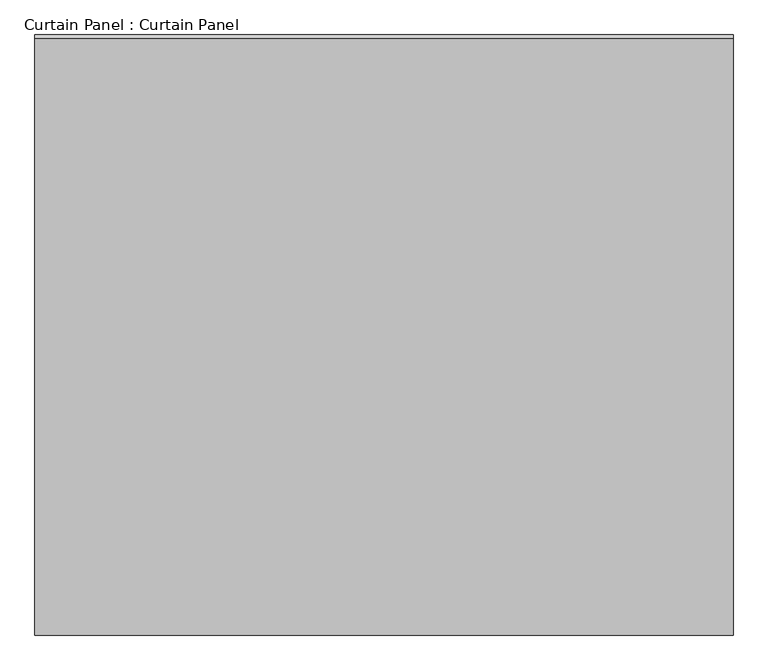
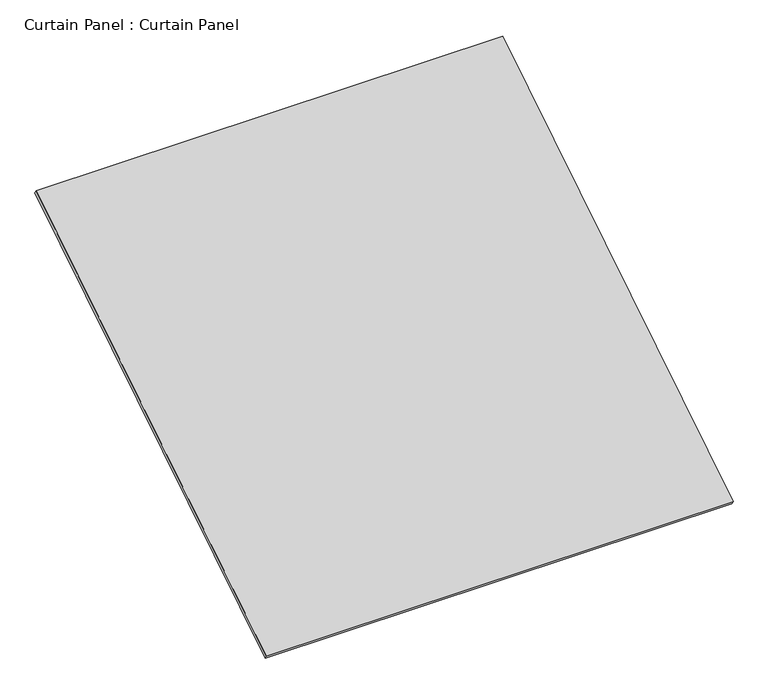
"""IFC4 building model written with IfcOpenShell, lengths in millimetres: plate geometry, Curtain Panel : Curtain Panel."""

import ifcopenshell
import ifcopenshell.guid

model = None  # the IFC model being written
_history = None  # IfcOwnerHistory: only IFC2X3 demands one
_inside = {}  # id of a spatial element -> (the spatial element, [elements in it])
_under = {}  # id of a project, library or spatial element -> (it, [spatial elements below it])
_declared = {}  # id of a project -> (the project, [libraries it declares])
_typed = {}  # id of a type object -> (the type object, [elements of that type])
_made_of = {}  # id of a material, layer set ... -> (it, [elements and type objects made of it])


def new_model(schema):
    """Start an empty IFC model of exactly this schema.

    Asked for "IFC4X3", IfcOpenShell would pick the latest addendum, in which some entities
    have other attributes; the version numbers below select the first issue.
    IFC2X3 requires an IfcOwnerHistory on every rooted entity: one is made here for all.
    """
    global model, _history
    if schema == "IFC4X3":
        model = ifcopenshell.file(schema_version=(4, 3, 0, 0))
    else:
        model = ifcopenshell.file(schema=schema)
    _inside.clear()
    _under.clear()
    _declared.clear()
    _typed.clear()
    _made_of.clear()
    _history = None
    if model.schema == "IFC2X3":
        org = make("IfcOrganization", Name="unknown")
        user = make(
            "IfcPersonAndOrganization",
            ThePerson=make("IfcPerson", FamilyName="unknown"),
            TheOrganization=org,
        )
        app = make(
            "IfcApplication",
            ApplicationDeveloper=org,
            Version="unknown",
            ApplicationFullName="unknown",
            ApplicationIdentifier="unknown",
        )
        _history = make(
            "IfcOwnerHistory",
            OwningUser=user,
            OwningApplication=app,
            ChangeAction="ADDED",
            CreationDate=0,
        )
    return model


def make(cls, **values):
    """One entity of the class cls with the attributes given. An attribute that is None is left unset."""
    return model.create_entity(
        cls, **{name: value for name, value in values.items() if value is not None}
    )


def rooted(cls, **values):
    """An entity with a GlobalId (a new one), such as an element, a storey or a relation."""
    return make(cls, GlobalId=ifcopenshell.guid.new(), OwnerHistory=_history, **values)


def si_unit(unit_type, name, prefix=None):
    """IfcSIUnit, for example si_unit("LENGTHUNIT", "METRE", prefix="MILLI")."""
    return make("IfcSIUnit", UnitType=unit_type, Prefix=prefix, Name=name)


def assignment(units):
    """IfcUnitAssignment: the units of a project."""
    return None if units is None else make("IfcUnitAssignment", Units=units)


def point(xyz):
    """IfcCartesianPoint."""
    return None if xyz is None else make("IfcCartesianPoint", Coordinates=xyz)


def direction(xyz):
    """IfcDirection."""
    return None if xyz is None else make("IfcDirection", DirectionRatios=xyz)


def frame(location, z_axis=None, x_axis=None):
    """IfcAxis2Placement3D, a coordinate frame: its origin and axes. An axis left out is left unset."""
    return make(
        "IfcAxis2Placement3D",
        Location=point(location),
        Axis=direction(z_axis),
        RefDirection=direction(x_axis),
    )


def origin():
    """The frame at (0, 0, 0) with its axes left unset."""
    return frame((0.0, 0.0, 0.0))


def place(relative_to, where):
    """IfcLocalPlacement: puts the frame where relative to a parent placement (None: the world)."""
    return make(
        "IfcLocalPlacement", PlacementRelTo=relative_to, RelativePlacement=where
    )


def context(
    kind, dimensions, precision=None, world=None, true_north=None, identifier=None
):
    """IfcGeometricRepresentationContext, for example the 3D "Model" context."""
    return make(
        "IfcGeometricRepresentationContext",
        ContextIdentifier=identifier,
        ContextType=kind,
        CoordinateSpaceDimension=dimensions,
        Precision=precision,
        WorldCoordinateSystem=world,
        TrueNorth=true_north,
    )


def project(units=None, contexts=None):
    """IfcProject with its units and contexts."""
    return rooted(
        "IfcProject",
        Name="project",
        RepresentationContexts=contexts,
        UnitsInContext=assignment(units),
    )


def spatial(cls, under=None, at=None, **own):
    """A site, building, storey or space (cls), placed at a placement, below another one or the project."""
    s = rooted(cls, ObjectPlacement=at, **own)
    if under is not None:
        _under.setdefault(under.id(), (under, []))[1].append(s)
    return s


def polyline(points):
    """IfcPolyline through the points."""
    return make("IfcPolyline", Points=[point(p) for p in points])


def outline(outer, holes=None, kind="AREA"):
    """IfcArbitraryClosedProfileDef: a profile drawn as a closed curve; with holes, ...WithVoids."""
    if holes is None:
        return make("IfcArbitraryClosedProfileDef", ProfileType=kind, OuterCurve=outer)
    return make(
        "IfcArbitraryProfileDefWithVoids",
        ProfileType=kind,
        OuterCurve=outer,
        InnerCurves=holes,
    )


def extrude(swept, where, along, depth):
    """IfcExtrudedAreaSolid: the profile swept, set in the frame where, extruded along a direction by depth."""
    return make(
        "IfcExtrudedAreaSolid",
        SweptArea=swept,
        Position=where,
        ExtrudedDirection=direction(along),
        Depth=depth,
    )


def shape(context_of_items, identifier, shape_type, items):
    """IfcShapeRepresentation: the items that make up one representation, for example the "Body"."""
    return make(
        "IfcShapeRepresentation",
        ContextOfItems=context_of_items,
        RepresentationIdentifier=identifier,
        RepresentationType=shape_type,
        Items=items,
    )


def source(mapping_origin, context_of_items, identifier, shape_type, items):
    """IfcRepresentationMap: a shape defined once, which mapped items show again and again."""
    return make(
        "IfcRepresentationMap",
        MappingOrigin=mapping_origin,
        MappedRepresentation=shape(context_of_items, identifier, shape_type, items),
    )


def transform(
    local_origin,
    x_axis=None,
    y_axis=None,
    z_axis=None,
    scale=None,
    scale2=None,
    scale3=None,
    uniform=True,
):
    """IfcCartesianTransformationOperator3D, or its non-uniform kind. x_axis, y_axis, z_axis: its Axis1, 2, 3."""
    if uniform:
        return make(
            "IfcCartesianTransformationOperator3D",
            Axis1=direction(x_axis),
            Axis2=direction(y_axis),
            LocalOrigin=point(local_origin),
            Scale=scale,
            Axis3=direction(z_axis),
        )
    return make(
        "IfcCartesianTransformationOperator3DnonUniform",
        Axis1=direction(x_axis),
        Axis2=direction(y_axis),
        LocalOrigin=point(local_origin),
        Scale=scale,
        Axis3=direction(z_axis),
        Scale2=scale2,
        Scale3=scale3,
    )


def mapped(mapping_source, mapping_target):
    """IfcMappedItem: shows the shape of a source again, moved by a transform."""
    return make(
        "IfcMappedItem", MappingSource=mapping_source, MappingTarget=mapping_target
    )


def made_of(thing, what):
    """Note that an element or type object is made of a material, layer set ...; save() writes the relation."""
    if what is not None:
        _made_of.setdefault(what.id(), (what, []))[1].append(thing)
    return thing


def element(
    cls,
    number,
    at=None,
    inside=None,
    cuts=None,
    type_object=None,
    material=None,
    context=None,
    identifier="Body",
    shape_type=None,
    held_by="IfcProductDefinitionShape",
    body=None,
    shapes=None,
    **own,
):
    """One element of the class cls, such as IfcWall. Its Tag is "e" and its number.

    at: its placement. inside: the storey or other place that contains it. cuts: it is an
    opening in that element (IfcRelVoidsElement). A single representation is given by context,
    identifier, shape_type and body (its items); several are given by shapes. held_by: the class
    of the entity that holds the representations. save() writes the other relations.
    """
    e = rooted(cls, Tag="e%d" % number, ObjectPlacement=at, **own)
    if body is not None:
        shapes = [shape(context, identifier, shape_type, body)]
    if shapes is not None:
        e.Representation = make(held_by, Representations=shapes)
    if inside is not None:
        _inside.setdefault(inside.id(), (inside, []))[1].append(e)
    if cuts is not None:
        rooted(
            "IfcRelVoidsElement", RelatingBuildingElement=cuts, RelatedOpeningElement=e
        )
    if type_object is not None:
        _typed.setdefault(type_object.id(), (type_object, []))[1].append(e)
    return made_of(e, material)


def aggregate(whole, parts):
    """IfcRelAggregates: a whole, such as a stair, and the parts it consists of."""
    return rooted("IfcRelAggregates", RelatingObject=whole, RelatedObjects=parts)


def save(model, path):
    """Write the relations noted so far, then the file.

    IfcRelAggregates (storeys below a building ...), IfcRelContainedInSpatialStructure (elements
    in a storey), IfcRelDefinesByType, IfcRelAssociatesMaterial and IfcRelDeclares: one each for
    every whole, place, type object, material and project.
    """
    for whole, parts in _under.values():
        aggregate(whole, parts)
    for where, things in _inside.values():
        rooted(
            "IfcRelContainedInSpatialStructure",
            RelatedElements=things,
            RelatingStructure=where,
        )
    for kind, things in _typed.values():
        rooted("IfcRelDefinesByType", RelatedObjects=things, RelatingType=kind)
    for what, things in _made_of.values():
        rooted("IfcRelAssociatesMaterial", RelatedObjects=things, RelatingMaterial=what)
    for by, libraries in _declared.values():
        rooted("IfcRelDeclares", RelatingContext=by, RelatedDefinitions=libraries)
    model.write(path)


def curtain_panel_curtain_panel_a80a196b(model_context):
    return source(origin(), model_context, "Body", "SweptSolid", [
        extrude(outline(polyline([(-63.5, 0.0), (-63.5, -3013.075), (-3048.0, -3013.075), (-3048.0, 0.0), (-63.5, 0.0)])), frame((-123766.6430895, -6506.9755787, 5560.7850437), z_axis=(0.0, -0.5318918435658209, 0.8468122972348432), x_axis=(-1.0, 0.0, 0.0)), (0.0, 0.0, 1.0), 25.4),
    ])


if __name__ == "__main__":
    model = new_model("IFC4")
    model_context = context("Model", 3, world=origin())
    ifc_project = project(units=[si_unit("LENGTHUNIT", "METRE", prefix="MILLI")], contexts=[model_context])
    site = spatial("IfcSite", under=ifc_project)
    building = spatial("IfcBuilding", under=site)
    placement = place(None, origin())
    curtain_panel_curtain_panel_shape = curtain_panel_curtain_panel_a80a196b(model_context)
    element("IfcPlate", 1, ObjectType="Curtain Panel : Curtain Panel", at=placement, inside=building, context=model_context, shape_type="MappedRepresentation", body=[
        mapped(curtain_panel_curtain_panel_shape, transform((0.0, 0.0, 0.0), x_axis=(1.0, 0.0, 0.0), y_axis=(0.0, 1.0, 0.0), z_axis=(0.0, 0.0, 1.0))),
    ])
    save(model, "model.ifc")
